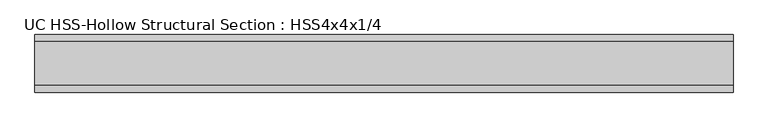
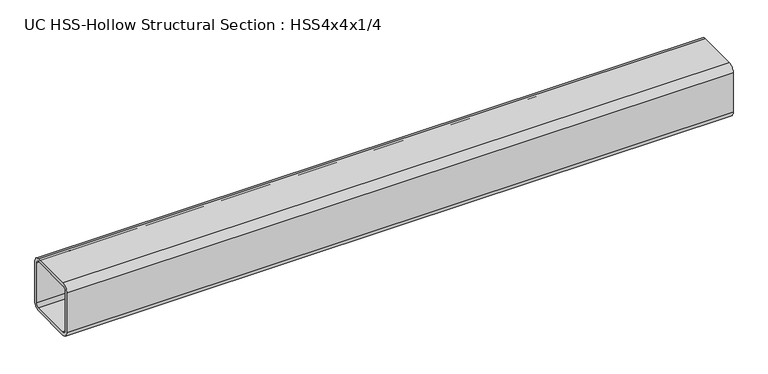
"""IFC4 building model written with IfcOpenShell, lengths in millimetres: beam geometry, UC HSS-Hollow Structural Section : HSS4x4x1/4."""

from ifc_helpers import new_model, si_unit, point, frame, frame_2d, origin, place, context, project, spatial, polyline, circle_curve, trimmed, segment, composite_curve, outline, extrude, source, transform, mapped, element, save


def uc_hss_hollow_structural_section_hss4x4x1_4_33ce139e(model_context):
    return source(origin(), model_context, "Body", "SweptSolid", [
        extrude(outline(composite_curve([segment(trimmed(circle_curve(frame_2d((-38.9636, 38.9636)), 11.8364), [point((-50.8, 38.9636))], [point((-38.9636, 50.8))], False, "CARTESIAN"), True, "CONTINUOUS"), segment(polyline([(-38.9636, 50.8), (38.9636, 50.8)]), True, "CONTINUOUS"), segment(trimmed(circle_curve(frame_2d((38.9636, 38.9636)), 11.8364), [point((38.9636, 50.8))], [point((50.8, 38.9636))], False, "CARTESIAN"), True, "CONTINUOUS"), segment(polyline([(50.8, 38.9636), (50.8, -38.9636)]), True, "CONTINUOUS"), segment(trimmed(circle_curve(frame_2d((38.9636, -38.9636)), 11.8364), [point((50.8, -38.9636))], [point((38.9636, -50.8))], False, "CARTESIAN"), True, "CONTINUOUS"), segment(polyline([(38.9636, -50.8), (-38.9636, -50.8)]), True, "CONTINUOUS"), segment(trimmed(circle_curve(frame_2d((-38.9636, -38.9636)), 11.8364), [point((-38.9636, -50.8))], [point((-50.8, -38.9636))], False, "CARTESIAN"), True, "CONTINUOUS"), segment(polyline([(-50.8, -38.9636), (-50.8, 38.9636)]), True, "CONTINUOUS")], self_intersect=False), holes=[composite_curve([segment(polyline([(38.9636, 44.8818), (-38.9636, 44.8818)]), True, "CONTINUOUS"), segment(trimmed(circle_curve(frame_2d((-38.9636, 38.9636)), 5.9182), [point((-38.9636, 44.8818))], [point((-44.8818, 38.9636))], True, "CARTESIAN"), True, "CONTINUOUS"), segment(polyline([(-44.8818, 38.9636), (-44.8818, -38.9636)]), True, "CONTINUOUS"), segment(trimmed(circle_curve(frame_2d((-38.9636, -38.9636)), 5.9182), [point((-44.8818, -38.9636))], [point((-38.9636, -44.8818))], True, "CARTESIAN"), True, "CONTINUOUS"), segment(polyline([(-38.9636, -44.8818), (38.9636, -44.8818)]), True, "CONTINUOUS"), segment(trimmed(circle_curve(frame_2d((38.9636, -38.9636)), 5.9182), [point((38.9636, -44.8818))], [point((44.8818, -38.9636))], True, "CARTESIAN"), True, "CONTINUOUS"), segment(polyline([(44.8818, -38.9636), (44.8818, 38.9636)]), True, "CONTINUOUS"), segment(trimmed(circle_curve(frame_2d((38.9636, 38.9636)), 5.9182), [point((44.8818, 38.9636))], [point((38.9636, 44.8818))], True, "CARTESIAN"), True, "CONTINUOUS")], self_intersect=False)]), frame((-647.7, 0.0, 0.0), z_axis=(1.0, 0.0, 0.0), x_axis=(0.0, 1.0, 0.0)), (0.0, 0.0, 1.0), 1230.7875498),
    ])


if __name__ == "__main__":
    model = new_model("IFC4")
    model_context = context("Model", 3, world=origin())
    ifc_project = project(units=[si_unit("LENGTHUNIT", "METRE", prefix="MILLI")], contexts=[model_context])
    site = spatial("IfcSite", under=ifc_project)
    building = spatial("IfcBuilding", under=site)
    placement = place(None, origin())
    uc_hss_hollow_structural_section_hss4x4x1_4_shape = uc_hss_hollow_structural_section_hss4x4x1_4_33ce139e(model_context)
    element("IfcBeam", 1, ObjectType="UC HSS-Hollow Structural Section : HSS4x4x1/4", at=placement, inside=building, context=model_context, shape_type="MappedRepresentation", body=[
        mapped(uc_hss_hollow_structural_section_hss4x4x1_4_shape, transform((0.0, 0.0, 0.0), x_axis=(1.0, 0.0, 0.0), y_axis=(0.0, 1.0, 0.0), z_axis=(0.0, 0.0, 1.0))),
    ])
    save(model, "model.ifc")
